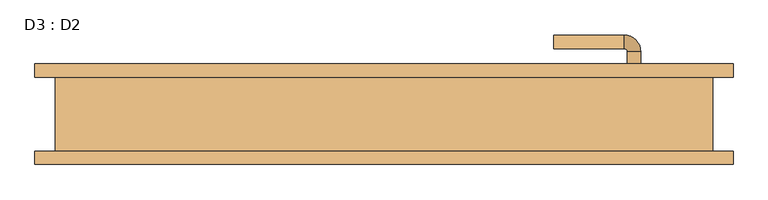
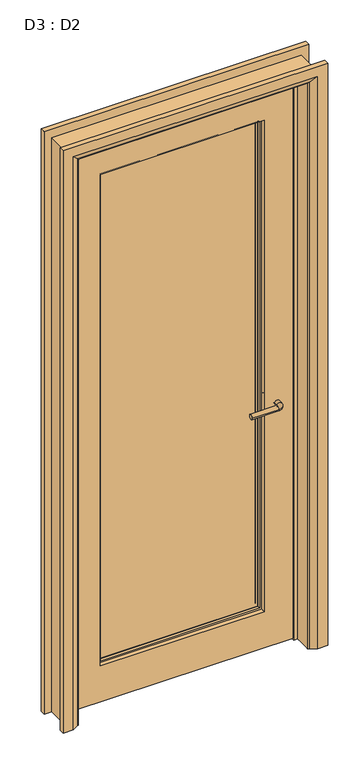
"""IFC4 building model written with IfcOpenShell, lengths in millimetres: door geometry, D3 : D2."""

from ifc_helpers import new_model, si_unit, point, frame, frame_2d, origin, place, context, project, spatial, polyline, circle_curve, ellipse_curve, trimmed, segment, composite_curve, outline, extrude, faceted_brep, source, transform, mapped, element, save
from ifc_brep_helpers import plane_surface, cylinder_surface, revolved_surface, advanced_brep


def d3_d2_8b21f9c6(model_context):
    return source(origin(), model_context, "Body", "SolidModel", [
        advanced_brep(
        [(178.0, 30.0, 1007.0), (158.0, 30.0, 1007.0), (178.0, 0.0, 1007.0), (158.0, 0.0, 1007.0), (153.0, -5.0, 1007.0), (153.0, -25.0, 1007.0), (48.0, -25.0, 1007.0), (48.0, -5.0, 1007.0)],
        [
            (0, 1, circle_curve(frame((168.0, 30.0, 1007.0), z_axis=(0.0, 1.0, 0.0), x_axis=(-1.0, 0.0, 0.0)), 10.0)),
            (1, 0, circle_curve(frame((168.0, 30.0, 1007.0), z_axis=(0.0, 1.0, 0.0), x_axis=(-1.0, 0.0, 0.0)), 10.0)),
            (0, 2),
            (2, 3, circle_curve(frame((168.0, 0.0, 1007.0), z_axis=(0.0, 1.0, 0.0), x_axis=(-1.0, 0.0, 0.0)), 10.0)),
            (3, 1),
            (3, 2, circle_curve(frame((168.0, 0.0, 1007.0), z_axis=(0.0, 1.0, 0.0), x_axis=(-1.0, 0.0, 0.0)), 10.0)),
            (4, 3, circle_curve(frame((153.0, 0.0, 1007.0), z_axis=(0.0, 0.0, 1.0), x_axis=(1.0, 0.0, 0.0)), 5.0)),
            (2, 5, circle_curve(frame((153.0, 0.0, 1007.0), z_axis=(0.0, 0.0, -1.0), x_axis=(1.0, 0.0, 0.0)), 25.0)),
            (5, 4, circle_curve(frame((153.0, -15.0, 1007.0), z_axis=(1.0, 0.0, 0.0), x_axis=(0.0, 1.0, 0.0)), 10.0)),
            (4, 5, circle_curve(frame((153.0, -15.0, 1007.0), z_axis=(1.0, 0.0, 0.0), x_axis=(0.0, 1.0, 0.0)), 10.0)),
            (6, 7, circle_curve(frame((48.0, -15.0, 1007.0), z_axis=(-1.0, 0.0, 0.0), x_axis=(0.0, 1.0, 0.0)), 10.0)),
            (7, 6, circle_curve(frame((48.0, -15.0, 1007.0), z_axis=(-1.0, 0.0, 0.0), x_axis=(0.0, 1.0, 0.0)), 10.0)),
            (5, 6),
            (7, 4),
        ],
        [
            plane_surface(frame((168.0, 30.0, 1007.0), z_axis=(0.0, 1.0, 0.0), x_axis=(0.0, 0.0, 1.0))),
            cylinder_surface(frame((168.0, 30.0, 1007.0), z_axis=(0.0, 1.0, 0.0), x_axis=(-1.0, 0.0, 0.0)), 10.0),
            revolved_surface(trimmed(ellipse_curve(frame((168.0, 0.0, 1007.0), z_axis=(0.0, 1.0, 0.0), x_axis=(-1.0, 0.0, 0.0)), 10.0, 10.0), [point((178.0, 0.0, 1007.0))], [point((158.0, 0.0, 1007.0))], True, "CARTESIAN"), (153.0, 0.0, 1007.0), (0.0, 0.0, -1.0)),
            revolved_surface(trimmed(ellipse_curve(frame((168.0, 0.0, 1007.0), z_axis=(0.0, 1.0, 0.0), x_axis=(-1.0, 0.0, 0.0)), 10.0, 10.0), [point((158.0, 0.0, 1007.0))], [point((178.0, 0.0, 1007.0))], True, "CARTESIAN"), (153.0, 0.0, 1007.0), (0.0, 0.0, -1.0)),
            plane_surface(frame((48.0, -15.0, 1007.0), z_axis=(-1.0, 0.0, 0.0), x_axis=(0.0, 0.0, 1.0))),
            cylinder_surface(frame((153.0, -15.0, 1007.0), z_axis=(1.0, 0.0, 0.0), x_axis=(0.0, 1.0, 0.0)), 10.0),
        ],
        [
            (0, [[1, 2]]),
            (1, [[-1, 3, 4, 5]]),
            (1, [[-2, -5, 6, -3]]),
            (2, [[7, -4, 8, 9]]),
            (3, [[-8, -6, -7, 10]]),
            (4, [[11, 12]]),
            (5, [[-9, 13, -12, 14]]),
            (5, [[-10, -14, -11, -13]]),
        ],
    ),
        extrude(outline(composite_curve([segment(trimmed(circle_curve(frame_2d((1007.0, 170.5)), 30.0), [point((1007.0, 200.5))], [point((1007.0, 140.5))], False, "CARTESIAN"), True, "CONTINUOUS"), segment(trimmed(circle_curve(frame_2d((1007.0, 170.5)), 30.0), [point((1007.0, 140.5))], [point((1007.0, 200.5))], False, "CARTESIAN"), True, "CONTINUOUS")], self_intersect=False)), frame((0.0, 30.0, 0.0), z_axis=(0.0, 1.0, 0.0), x_axis=(0.0, 0.0, 1.0)), (0.0, 0.0, 1.0), 8.0),
        advanced_brep(
        [(178.0, 63.0, 1007.0), (158.0, 63.0, 1007.0), (158.0, 93.0, 1007.0), (178.0, 93.0, 1007.0), (153.0, 98.0, 1007.0), (153.0, 118.0, 1007.0), (48.0, 118.0, 1007.0), (48.0, 98.0, 1007.0)],
        [
            (0, 1, circle_curve(frame((168.0, 63.0, 1007.0), z_axis=(0.0, -1.0, 0.0), x_axis=(-1.0, 0.0, 0.0)), 10.0)),
            (1, 0, circle_curve(frame((168.0, 63.0, 1007.0), z_axis=(0.0, -1.0, 0.0), x_axis=(-1.0, 0.0, 0.0)), 10.0)),
            (1, 2),
            (2, 3, circle_curve(frame((168.0, 93.0, 1007.0), z_axis=(0.0, -1.0, 0.0), x_axis=(-1.0, 0.0, 0.0)), 10.0)),
            (3, 0),
            (3, 2, circle_curve(frame((168.0, 93.0, 1007.0), z_axis=(0.0, -1.0, 0.0), x_axis=(-1.0, 0.0, 0.0)), 10.0)),
            (4, 5, circle_curve(frame((153.0, 108.0, 1007.0), z_axis=(1.0, 0.0, 0.0), x_axis=(0.0, -1.0, 0.0)), 10.0)),
            (5, 3, circle_curve(frame((153.0, 93.0, 1007.0), z_axis=(0.0, 0.0, -1.0), x_axis=(1.0, 0.0, 0.0)), 25.0)),
            (2, 4, circle_curve(frame((153.0, 93.0, 1007.0), z_axis=(0.0, 0.0, 1.0), x_axis=(1.0, 0.0, 0.0)), 5.0)),
            (5, 4, circle_curve(frame((153.0, 108.0, 1007.0), z_axis=(1.0, 0.0, 0.0), x_axis=(0.0, -1.0, 0.0)), 10.0)),
            (6, 7, circle_curve(frame((48.0, 108.0, 1007.0), z_axis=(-1.0, 0.0, 0.0), x_axis=(0.0, -1.0, 0.0)), 10.0)),
            (7, 6, circle_curve(frame((48.0, 108.0, 1007.0), z_axis=(-1.0, 0.0, 0.0), x_axis=(0.0, -1.0, 0.0)), 10.0)),
            (4, 7),
            (6, 5),
        ],
        [
            plane_surface(frame((168.0, 63.0, 1007.0), z_axis=(0.0, -1.0, 0.0), x_axis=(0.0, 0.0, 1.0))),
            cylinder_surface(frame((168.0, 63.0, 1007.0), z_axis=(0.0, -1.0, 0.0), x_axis=(-1.0, 0.0, 0.0)), 10.0),
            revolved_surface(trimmed(ellipse_curve(frame((168.0, 93.0, 1007.0), z_axis=(0.0, 1.0, 0.0), x_axis=(-1.0, 0.0, 0.0)), 10.0, 10.0), [point((178.0, 93.0, 1007.0))], [point((158.0, 93.0, 1007.0))], True, "CARTESIAN"), (153.0, 93.0, 1007.0), (0.0, 0.0, -1.0)),
            revolved_surface(trimmed(ellipse_curve(frame((168.0, 93.0, 1007.0), z_axis=(0.0, 1.0, 0.0), x_axis=(-1.0, 0.0, 0.0)), 10.0, 10.0), [point((158.0, 93.0, 1007.0))], [point((178.0, 93.0, 1007.0))], True, "CARTESIAN"), (153.0, 93.0, 1007.0), (0.0, 0.0, -1.0)),
            plane_surface(frame((48.0, 108.0, 1007.0), z_axis=(-1.0, 0.0, 0.0), x_axis=(0.0, 0.0, 1.0))),
            cylinder_surface(frame((153.0, 108.0, 1007.0), z_axis=(1.0, 0.0, 0.0), x_axis=(0.0, -1.0, 0.0)), 10.0),
        ],
        [
            (0, [[1, 2]]),
            (1, [[3, 4, 5, -2]]),
            (1, [[-5, 6, -3, -1]]),
            (2, [[7, 8, -4, 9]]),
            (3, [[10, -9, -6, -8]]),
            (4, [[11, 12]]),
            (5, [[13, -11, 14, -7]]),
            (5, [[-14, -12, -13, -10]]),
        ],
    ),
        extrude(outline(composite_curve([segment(trimmed(circle_curve(frame_2d((1007.0, 170.5)), 30.0), [point((1007.0, 200.5))], [point((1007.0, 140.5))], False, "CARTESIAN"), True, "CONTINUOUS"), segment(trimmed(circle_curve(frame_2d((1007.0, 170.5)), 30.0), [point((1007.0, 140.5))], [point((1007.0, 200.5))], False, "CARTESIAN"), True, "CONTINUOUS")], self_intersect=False)), frame((0.0, 55.0, 0.0), z_axis=(0.0, 1.0, 0.0), x_axis=(0.0, 0.0, 1.0)), (0.0, 0.0, 1.0), 8.0),
        extrude(outline(polyline([(2385.0, -694.5), (0.0, -694.5), (0.0, -654.5), (2350.0, -654.5), (2350.0, 245.5), (0.0, 245.5), (0.0, 285.5), (2385.0, 285.5), (2385.0, -694.5)])), frame((0.0, -55.0, 0.0), z_axis=(0.0, 1.0, 0.0), x_axis=(0.0, 0.0, 1.0)), (0.0, 0.0, 1.0), 110.0),
        advanced_brep(
        [(-724.5, -75.0, 0.0), (-724.5, -55.0, 0.0), (-654.5, -55.0, 0.0), (-658.5, -61.0, 0.0), (-684.5, -75.0, 0.0), (-724.5, -75.0, 2420.0), (-724.5, -55.0, 2420.0), (315.5, -55.0, 2420.0), (315.5, -55.0, 0.0), (245.5, -55.0, 0.0), (245.5, -55.0, 2350.0), (-654.5, -55.0, 2350.0), (-658.5, -61.0, 2354.0), (-684.5, -75.0, 2380.0), (275.5, -75.0, 2380.0), (275.5, -75.0, 0.0), (315.5, -75.0, 0.0), (315.5, -75.0, 2420.0), (249.5, -61.0, 2354.0), (249.5, -61.0, 0.0)],
        [
            (0, 1),
            (1, 2),
            (2, 3, circle_curve(frame((-662.5, -54.0, 0.0), z_axis=(0.0, 0.0, -1.0), x_axis=(-1.0, 0.0, 0.0)), 8.0622577)),
            (3, 4),
            (4, 0),
            (0, 5),
            (5, 6),
            (6, 1),
            (6, 7),
            (7, 8),
            (8, 9),
            (9, 10),
            (10, 11),
            (11, 2),
            (11, 12, ellipse_curve(frame((-662.5, -54.0, 2358.0), z_axis=(-0.7071067811865475, 0.0, -0.7071067811865475), x_axis=(0.7071067811865474, 0.0, -0.7071067811865476)), 11.4017543, 8.0622577)),
            (12, 3),
            (12, 13),
            (13, 4),
            (13, 14),
            (14, 15),
            (15, 16),
            (16, 17),
            (17, 5),
            (17, 7),
            (10, 18, ellipse_curve(frame((253.5, -54.0, 2358.0), z_axis=(-0.7071067811865475, 0.0, 0.7071067811865475), x_axis=(-0.7071067811865476, 0.0, -0.7071067811865474)), 11.4017543, 8.0622577)),
            (18, 12),
            (18, 14),
            (15, 19),
            (19, 9, circle_curve(frame((253.5, -54.0, 0.0), z_axis=(0.0, 0.0, -1.0), x_axis=(1.0, 0.0, 0.0)), 8.0622577)),
            (8, 16),
            (19, 18),
        ],
        [
            plane_surface(frame((-654.5, -55.0, 0.0), z_axis=(0.0, 0.0, -1.0), x_axis=(0.0, -1.0, 0.0))),
            plane_surface(frame((-724.5, -75.0, 0.0), z_axis=(-1.0, 0.0, 0.0), x_axis=(0.0, 0.0, 1.0))),
            plane_surface(frame((-724.5, -55.0, 0.0), z_axis=(0.0, 1.0, 0.0), x_axis=(0.0, 0.0, 1.0))),
            cylinder_surface(frame((-662.5, -54.0, 0.0), z_axis=(0.0, 0.0, -1.0), x_axis=(-1.0, 0.0, 0.0)), 8.0622577),
            plane_surface(frame((-658.5, -61.0, 0.0), z_axis=(0.4740998230350183, -0.8804710999221749, 0.0), x_axis=(0.0, 0.0, 1.0))),
            plane_surface(frame((-684.5, -75.0, 0.0), z_axis=(0.0, -1.0, 0.0), x_axis=(0.0, 0.0, 1.0))),
            plane_surface(frame((-724.5, -75.0, 2420.0), z_axis=(0.0, 0.0, 1.0), x_axis=(1.0, 0.0, 0.0))),
            cylinder_surface(frame((-654.5, -54.0, 2358.0), z_axis=(-1.0, 0.0, 0.0), x_axis=(0.0, 0.0, 1.0)), 8.0622577),
            plane_surface(frame((-658.5, -61.0, 2354.0), z_axis=(0.0, -0.8804710999221749, -0.4740998230350183), x_axis=(1.0, 0.0, 0.0))),
            plane_surface(frame((245.5, -55.0, 0.0), z_axis=(0.0, 0.0, -1.0), x_axis=(0.0, -1.0, 0.0))),
            plane_surface(frame((315.5, -75.0, 2420.0), z_axis=(1.0, 0.0, 0.0), x_axis=(0.0, 0.0, -1.0))),
            cylinder_surface(frame((253.5, -54.0, 2350.0), z_axis=(0.0, 0.0, 1.0), x_axis=(1.0, 0.0, 0.0)), 8.0622577),
            plane_surface(frame((249.5, -61.0, 2354.0), z_axis=(-0.4740998230350183, -0.8804710999221749, 0.0), x_axis=(0.0, 0.0, -1.0))),
        ],
        [
            (0, [[1, 2, 3, 4, 5]]),
            (1, [[-1, 6, 7, 8]]),
            (2, [[-2, -8, 9, 10, 11, 12, 13, 14]]),
            (3, [[-3, -14, 15, 16]]),
            (4, [[-4, -16, 17, 18]]),
            (5, [[-5, -18, 19, 20, 21, 22, 23, -6]]),
            (6, [[-7, -23, 24, -9]]),
            (7, [[-15, -13, 25, 26]]),
            (8, [[-17, -26, 27, -19]]),
            (9, [[-21, 28, 29, -11, 30]]),
            (10, [[-24, -22, -30, -10]]),
            (11, [[-25, -12, -29, 31]]),
            (12, [[-27, -31, -28, -20]]),
        ],
    ),
        advanced_brep(
        [(315.5, 75.0, 0.0), (315.5, 55.0, 0.0), (245.5, 55.0, 0.0), (249.5, 61.0, 0.0), (275.5, 75.0, 0.0), (315.5, 75.0, 2420.0), (315.5, 55.0, 2420.0), (-724.5, 55.0, 2420.0), (-724.5, 55.0, 0.0), (-654.5, 55.0, 0.0), (-654.5, 55.0, 2350.0), (245.5, 55.0, 2350.0), (249.5, 61.0, 2354.0), (275.5, 75.0, 2380.0), (-684.5, 75.0, 2380.0), (-684.5, 75.0, 0.0), (-724.5, 75.0, 0.0), (-724.5, 75.0, 2420.0), (-658.5, 61.0, 2354.0), (-658.5, 61.0, 0.0)],
        [
            (0, 1),
            (1, 2),
            (2, 3, circle_curve(frame((253.5, 54.0, 0.0), z_axis=(0.0, 0.0, -1.0), x_axis=(1.0, 0.0, 0.0)), 8.0622577)),
            (3, 4),
            (4, 0),
            (0, 5),
            (5, 6),
            (6, 1),
            (6, 7),
            (7, 8),
            (8, 9),
            (9, 10),
            (10, 11),
            (11, 2),
            (11, 12, ellipse_curve(frame((253.5, 54.0, 2358.0), z_axis=(0.7071067811865475, 0.0, -0.7071067811865475), x_axis=(-0.7071067811865474, 0.0, -0.7071067811865476)), 11.4017543, 8.0622577)),
            (12, 3),
            (12, 13),
            (13, 4),
            (13, 14),
            (14, 15),
            (15, 16),
            (16, 17),
            (17, 5),
            (17, 7),
            (10, 18, ellipse_curve(frame((-662.5, 54.0, 2358.0), z_axis=(0.7071067811865475, 0.0, 0.7071067811865475), x_axis=(0.7071067811865476, 0.0, -0.7071067811865474)), 11.4017543, 8.0622577)),
            (18, 12),
            (18, 14),
            (15, 19),
            (19, 9, circle_curve(frame((-662.5, 54.0, 0.0), z_axis=(0.0, 0.0, -1.0), x_axis=(-1.0, 0.0, 0.0)), 8.0622577)),
            (8, 16),
            (19, 18),
        ],
        [
            plane_surface(frame((245.5, 55.0, 0.0), z_axis=(0.0, 0.0, -1.0), x_axis=(0.0, -1.0, 0.0))),
            plane_surface(frame((315.5, 75.0, 0.0), z_axis=(1.0, 0.0, 0.0), x_axis=(0.0, 0.0, 1.0))),
            plane_surface(frame((315.5, 55.0, 0.0), z_axis=(0.0, -1.0, 0.0), x_axis=(0.0, 0.0, 1.0))),
            cylinder_surface(frame((253.5, 54.0, 0.0), z_axis=(0.0, 0.0, -1.0), x_axis=(1.0, 0.0, 0.0)), 8.0622577),
            plane_surface(frame((249.5, 61.0, 0.0), z_axis=(-0.4740998230350126, 0.8804710999221779, 0.0), x_axis=(0.0, 0.0, 1.0))),
            plane_surface(frame((275.5, 75.0, 0.0), z_axis=(0.0, 1.0, 0.0), x_axis=(0.0, 0.0, 1.0))),
            plane_surface(frame((315.5, 75.0, 2420.0), z_axis=(0.0, 0.0, 1.0), x_axis=(-1.0, 0.0, 0.0))),
            cylinder_surface(frame((245.5, 54.0, 2358.0), z_axis=(1.0, 0.0, 0.0), x_axis=(0.0, 0.0, 1.0)), 8.0622577),
            plane_surface(frame((249.5, 61.0, 2354.0), z_axis=(0.0, 0.8804710999221763, -0.4740998230350154), x_axis=(-1.0, 0.0, 0.0))),
            plane_surface(frame((-654.5, 55.0, 0.0), z_axis=(0.0, 0.0, -1.0), x_axis=(0.0, -1.0, 0.0))),
            plane_surface(frame((-724.5, 75.0, 2420.0), z_axis=(-1.0, 0.0, 0.0), x_axis=(0.0, 0.0, -1.0))),
            cylinder_surface(frame((-662.5, 54.0, 2350.0), z_axis=(0.0, 0.0, 1.0), x_axis=(-1.0, 0.0, 0.0)), 8.0622577),
            plane_surface(frame((-658.5, 61.0, 2354.0), z_axis=(0.4740998230350183, 0.8804710999221749, 0.0), x_axis=(0.0, 0.0, -1.0))),
        ],
        [
            (0, [[1, 2, 3, 4, 5]]),
            (1, [[-1, 6, 7, 8]]),
            (2, [[-2, -8, 9, 10, 11, 12, 13, 14]]),
            (3, [[-3, -14, 15, 16]]),
            (4, [[-4, -16, 17, 18]]),
            (5, [[-5, -18, 19, 20, 21, 22, 23, -6]]),
            (6, [[-7, -23, 24, -9]]),
            (7, [[-15, -13, 25, 26]]),
            (8, [[-17, -26, 27, -19]]),
            (9, [[-21, 28, 29, -11, 30]]),
            (10, [[-24, -22, -30, -10]]),
            (11, [[-25, -12, -29, 31]]),
            (12, [[-27, -31, -28, -20]]),
        ],
    ),
        faceted_brep([(-639.5, 42.0, 0.0), (-639.5, 10.0, 0.0), (-654.5, 10.0, 0.0), (-654.5, 42.0, 0.0), (-639.5, 42.0, 2335.0), (-639.5, 10.0, 2335.0), (-654.5, 10.0, 2350.0), (-654.5, 42.0, 2350.0), (230.5, 42.0, 2335.0), (230.5, 10.0, 2335.0), (245.5, 10.0, 2350.0), (245.5, 42.0, 2350.0), (230.5, 42.0, 0.0), (245.5, 42.0, 0.0), (245.5, 10.0, 0.0), (230.5, 10.0, 0.0)], [[[0, 1, 2, 3]], [[1, 0, 4, 5]], [[2, 1, 5, 6]], [[3, 2, 6, 7]], [[0, 3, 7, 4]], [[5, 4, 8, 9]], [[6, 5, 9, 10]], [[7, 6, 10, 11]], [[4, 7, 11, 8]], [[12, 13, 14, 15]], [[9, 8, 12, 15]], [[10, 9, 15, 14]], [[11, 10, 14, 13]], [[8, 11, 13, 12]]]),
        extrude(outline(polyline([(-526.5, 55.0), (117.5, 55.0), (117.5, 48.0), (-526.5, 48.0), (-526.5, 55.0)])), frame((0.0, 0.0, 2045.753223), z_axis=(0.0, 0.0, 1.0), x_axis=(1.0, 0.0, 0.0)), (0.0, 0.0, 1.0), 10.0),
        extrude(outline(polyline([(-526.5, 55.0), (117.5, 55.0), (117.5, 48.0), (-526.5, 48.0), (-526.5, 55.0)])), frame((0.0, 0.0, 1995.753223), z_axis=(0.0, 0.0, 1.0), x_axis=(1.0, 0.0, 0.0)), (0.0, 0.0, 1.0), 10.0),
        extrude(outline(polyline([(-526.5, 55.0), (117.5, 55.0), (117.5, 48.0), (-526.5, 48.0), (-526.5, 55.0)])), frame((0.0, 0.0, 1945.753223), z_axis=(0.0, 0.0, 1.0), x_axis=(1.0, 0.0, 0.0)), (0.0, 0.0, 1.0), 10.0),
        extrude(outline(polyline([(-526.5, 55.0), (117.5, 55.0), (117.5, 48.0), (-526.5, 48.0), (-526.5, 55.0)])), frame((0.0, 0.0, 1895.753223), z_axis=(0.0, 0.0, 1.0), x_axis=(1.0, 0.0, 0.0)), (0.0, 0.0, 1.0), 10.0),
        extrude(outline(polyline([(-526.5, 55.0), (117.5, 55.0), (117.5, 48.0), (-526.5, 48.0), (-526.5, 55.0)])), frame((0.0, 0.0, 1845.753223), z_axis=(0.0, 0.0, 1.0), x_axis=(1.0, 0.0, 0.0)), (0.0, 0.0, 1.0), 10.0),
        extrude(outline(polyline([(-526.5, 55.0), (117.5, 55.0), (117.5, 48.0), (-526.5, 48.0), (-526.5, 55.0)])), frame((0.0, 0.0, 1795.753223), z_axis=(0.0, 0.0, 1.0), x_axis=(1.0, 0.0, 0.0)), (0.0, 0.0, 1.0), 10.0),
        extrude(outline(polyline([(-526.5, 55.0), (117.5, 55.0), (117.5, 48.0), (-526.5, 48.0), (-526.5, 55.0)])), frame((0.0, 0.0, 1745.753223), z_axis=(0.0, 0.0, 1.0), x_axis=(1.0, 0.0, 0.0)), (0.0, 0.0, 1.0), 10.0),
        extrude(outline(polyline([(-526.5, 55.0), (117.5, 55.0), (117.5, 48.0), (-526.5, 48.0), (-526.5, 55.0)])), frame((0.0, 0.0, 1695.753223), z_axis=(0.0, 0.0, 1.0), x_axis=(1.0, 0.0, 0.0)), (0.0, 0.0, 1.0), 10.0),
        extrude(outline(polyline([(-526.5, 55.0), (117.5, 55.0), (117.5, 48.0), (-526.5, 48.0), (-526.5, 55.0)])), frame((0.0, 0.0, 1645.753223), z_axis=(0.0, 0.0, 1.0), x_axis=(1.0, 0.0, 0.0)), (0.0, 0.0, 1.0), 10.0),
        extrude(outline(polyline([(-526.5, 55.0), (117.5, 55.0), (117.5, 48.0), (-526.5, 48.0), (-526.5, 55.0)])), frame((0.0, 0.0, 1595.753223), z_axis=(0.0, 0.0, 1.0), x_axis=(1.0, 0.0, 0.0)), (0.0, 0.0, 1.0), 10.0),
        extrude(outline(polyline([(-526.5, 55.0), (117.5, 55.0), (117.5, 48.0), (-526.5, 48.0), (-526.5, 55.0)])), frame((0.0, 0.0, 1545.753223), z_axis=(0.0, 0.0, 1.0), x_axis=(1.0, 0.0, 0.0)), (0.0, 0.0, 1.0), 10.0),
        extrude(outline(polyline([(-526.5, 55.0), (117.5, 55.0), (117.5, 48.0), (-526.5, 48.0), (-526.5, 55.0)])), frame((0.0, 0.0, 1495.753223), z_axis=(0.0, 0.0, 1.0), x_axis=(1.0, 0.0, 0.0)), (0.0, 0.0, 1.0), 10.0),
        extrude(outline(polyline([(-526.5, 55.0), (117.5, 55.0), (117.5, 48.0), (-526.5, 48.0), (-526.5, 55.0)])), frame((0.0, 0.0, 1445.753223), z_axis=(0.0, 0.0, 1.0), x_axis=(1.0, 0.0, 0.0)), (0.0, 0.0, 1.0), 10.0),
        extrude(outline(polyline([(-526.5, 55.0), (117.5, 55.0), (117.5, 48.0), (-526.5, 48.0), (-526.5, 55.0)])), frame((0.0, 0.0, 1395.753223), z_axis=(0.0, 0.0, 1.0), x_axis=(1.0, 0.0, 0.0)), (0.0, 0.0, 1.0), 10.0),
        extrude(outline(polyline([(-526.5, 55.0), (117.5, 55.0), (117.5, 48.0), (-526.5, 48.0), (-526.5, 55.0)])), frame((0.0, 0.0, 1345.753223), z_axis=(0.0, 0.0, 1.0), x_axis=(1.0, 0.0, 0.0)), (0.0, 0.0, 1.0), 10.0),
        extrude(outline(polyline([(-526.5, 55.0), (117.5, 55.0), (117.5, 48.0), (-526.5, 48.0), (-526.5, 55.0)])), frame((0.0, 0.0, 1295.753223), z_axis=(0.0, 0.0, 1.0), x_axis=(1.0, 0.0, 0.0)), (0.0, 0.0, 1.0), 10.0),
        extrude(outline(polyline([(-526.5, 55.0), (117.5, 55.0), (117.5, 48.0), (-526.5, 48.0), (-526.5, 55.0)])), frame((0.0, 0.0, 1245.753223), z_axis=(0.0, 0.0, 1.0), x_axis=(1.0, 0.0, 0.0)), (0.0, 0.0, 1.0), 10.0),
        extrude(outline(polyline([(-526.5, 55.0), (117.5, 55.0), (117.5, 48.0), (-526.5, 48.0), (-526.5, 55.0)])), frame((0.0, 0.0, 1195.753223), z_axis=(0.0, 0.0, 1.0), x_axis=(1.0, 0.0, 0.0)), (0.0, 0.0, 1.0), 10.0),
        extrude(outline(polyline([(-526.5, 55.0), (117.5, 55.0), (117.5, 48.0), (-526.5, 48.0), (-526.5, 55.0)])), frame((0.0, 0.0, 1145.753223), z_axis=(0.0, 0.0, 1.0), x_axis=(1.0, 0.0, 0.0)), (0.0, 0.0, 1.0), 10.0),
        extrude(outline(polyline([(-526.5, 55.0), (117.5, 55.0), (117.5, 48.0), (-526.5, 48.0), (-526.5, 55.0)])), frame((0.0, 0.0, 1095.753223), z_axis=(0.0, 0.0, 1.0), x_axis=(1.0, 0.0, 0.0)), (0.0, 0.0, 1.0), 10.0),
        extrude(outline(polyline([(-526.5, 55.0), (117.5, 55.0), (117.5, 48.0), (-526.5, 48.0), (-526.5, 55.0)])), frame((0.0, 0.0, 1045.753223), z_axis=(0.0, 0.0, 1.0), x_axis=(1.0, 0.0, 0.0)), (0.0, 0.0, 1.0), 10.0),
        extrude(outline(polyline([(-526.5, 55.0), (117.5, 55.0), (117.5, 48.0), (-526.5, 48.0), (-526.5, 55.0)])), frame((0.0, 0.0, 995.753223), z_axis=(0.0, 0.0, 1.0), x_axis=(1.0, 0.0, 0.0)), (0.0, 0.0, 1.0), 10.0),
        extrude(outline(polyline([(-526.5, 55.0), (117.5, 55.0), (117.5, 48.0), (-526.5, 48.0), (-526.5, 55.0)])), frame((0.0, 0.0, 945.753223), z_axis=(0.0, 0.0, 1.0), x_axis=(1.0, 0.0, 0.0)), (0.0, 0.0, 1.0), 10.0),
        extrude(outline(polyline([(-526.5, 55.0), (117.5, 55.0), (117.5, 48.0), (-526.5, 48.0), (-526.5, 55.0)])), frame((0.0, 0.0, 895.753223), z_axis=(0.0, 0.0, 1.0), x_axis=(1.0, 0.0, 0.0)), (0.0, 0.0, 1.0), 10.0),
        extrude(outline(polyline([(-526.5, 55.0), (117.5, 55.0), (117.5, 48.0), (-526.5, 48.0), (-526.5, 55.0)])), frame((0.0, 0.0, 845.753223), z_axis=(0.0, 0.0, 1.0), x_axis=(1.0, 0.0, 0.0)), (0.0, 0.0, 1.0), 10.0),
        extrude(outline(polyline([(-526.5, 55.0), (117.5, 55.0), (117.5, 48.0), (-526.5, 48.0), (-526.5, 55.0)])), frame((0.0, 0.0, 795.753223), z_axis=(0.0, 0.0, 1.0), x_axis=(1.0, 0.0, 0.0)), (0.0, 0.0, 1.0), 10.0),
        extrude(outline(polyline([(-526.5, 55.0), (117.5, 55.0), (117.5, 48.0), (-526.5, 48.0), (-526.5, 55.0)])), frame((0.0, 0.0, 745.753223), z_axis=(0.0, 0.0, 1.0), x_axis=(1.0, 0.0, 0.0)), (0.0, 0.0, 1.0), 10.0),
        extrude(outline(polyline([(-526.5, 55.0), (117.5, 55.0), (117.5, 48.0), (-526.5, 48.0), (-526.5, 55.0)])), frame((0.0, 0.0, 695.753223), z_axis=(0.0, 0.0, 1.0), x_axis=(1.0, 0.0, 0.0)), (0.0, 0.0, 1.0), 10.0),
        extrude(outline(polyline([(-526.5, 55.0), (117.5, 55.0), (117.5, 48.0), (-526.5, 48.0), (-526.5, 55.0)])), frame((0.0, 0.0, 645.753223), z_axis=(0.0, 0.0, 1.0), x_axis=(1.0, 0.0, 0.0)), (0.0, 0.0, 1.0), 10.0),
        extrude(outline(polyline([(-526.5, 55.0), (117.5, 55.0), (117.5, 48.0), (-526.5, 48.0), (-526.5, 55.0)])), frame((0.0, 0.0, 595.753223), z_axis=(0.0, 0.0, 1.0), x_axis=(1.0, 0.0, 0.0)), (0.0, 0.0, 1.0), 10.0),
        extrude(outline(polyline([(-526.5, 55.0), (117.5, 55.0), (117.5, 48.0), (-526.5, 48.0), (-526.5, 55.0)])), frame((0.0, 0.0, 545.753223), z_axis=(0.0, 0.0, 1.0), x_axis=(1.0, 0.0, 0.0)), (0.0, 0.0, 1.0), 10.0),
        extrude(outline(polyline([(-526.5, 55.0), (117.5, 55.0), (117.5, 48.0), (-526.5, 48.0), (-526.5, 55.0)])), frame((0.0, 0.0, 495.753223), z_axis=(0.0, 0.0, 1.0), x_axis=(1.0, 0.0, 0.0)), (0.0, 0.0, 1.0), 10.0),
        extrude(outline(polyline([(-526.5, 55.0), (117.5, 55.0), (117.5, 48.0), (-526.5, 48.0), (-526.5, 55.0)])), frame((0.0, 0.0, 445.753223), z_axis=(0.0, 0.0, 1.0), x_axis=(1.0, 0.0, 0.0)), (0.0, 0.0, 1.0), 10.0),
        extrude(outline(polyline([(-526.5, 55.0), (117.5, 55.0), (117.5, 48.0), (-526.5, 48.0), (-526.5, 55.0)])), frame((0.0, 0.0, 395.753223), z_axis=(0.0, 0.0, 1.0), x_axis=(1.0, 0.0, 0.0)), (0.0, 0.0, 1.0), 10.0),
        extrude(outline(polyline([(-526.5, 55.0), (117.5, 55.0), (117.5, 48.0), (-526.5, 48.0), (-526.5, 55.0)])), frame((0.0, 0.0, 345.753223), z_axis=(0.0, 0.0, 1.0), x_axis=(1.0, 0.0, 0.0)), (0.0, 0.0, 1.0), 10.0),
        extrude(outline(polyline([(-526.5, 55.0), (117.5, 55.0), (117.5, 48.0), (-526.5, 48.0), (-526.5, 55.0)])), frame((0.0, 0.0, 295.753223), z_axis=(0.0, 0.0, 1.0), x_axis=(1.0, 0.0, 0.0)), (0.0, 0.0, 1.0), 10.0),
        extrude(outline(polyline([(-526.5, 55.0), (117.5, 55.0), (117.5, 48.0), (-526.5, 48.0), (-526.5, 55.0)])), frame((0.0, 0.0, 245.753223), z_axis=(0.0, 0.0, 1.0), x_axis=(1.0, 0.0, 0.0)), (0.0, 0.0, 1.0), 10.0),
        extrude(outline(polyline([(-526.5, 55.0), (117.5, 55.0), (117.5, 48.0), (-526.5, 48.0), (-526.5, 55.0)])), frame((0.0, 0.0, 195.753223), z_axis=(0.0, 0.0, 1.0), x_axis=(1.0, 0.0, 0.0)), (0.0, 0.0, 1.0), 10.0),
        extrude(outline(polyline([(-526.5, 55.0), (117.5, 55.0), (117.5, 48.0), (-526.5, 48.0), (-526.5, 55.0)])), frame((0.0, 0.0, 2095.753223), z_axis=(0.0, 0.0, 1.0), x_axis=(1.0, 0.0, 0.0)), (0.0, 0.0, 1.0), 10.0),
        extrude(outline(polyline([(-526.5, 55.0), (117.5, 55.0), (117.5, 48.0), (-526.5, 48.0), (-526.5, 55.0)])), frame((0.0, 0.0, 2144.506446), z_axis=(0.0, 0.0, 1.0), x_axis=(1.0, 0.0, 0.0)), (0.0, 0.0, 1.0), 10.0),
        extrude(outline(polyline([(117.5, 40.0), (-526.5, 40.0), (-526.5, 45.0), (117.5, 45.0), (117.5, 40.0)])), frame((0.0, 0.0, 155.753223), z_axis=(0.0, 0.0, 1.0), x_axis=(1.0, 0.0, 0.0)), (0.0, 0.0, 1.0), 2040.253223),
        extrude(outline(polyline([(5.753223, -651.5), (5.753223, 242.5), (2347.0, 242.5), (2347.0, -651.5), (5.753223, -651.5)]), holes=[polyline([(2197.0, -526.5), (2197.0, 117.5), (155.753223, 117.5), (155.753223, -526.5), (2197.0, -526.5)])]), frame((0.0, 15.0, 0.0), z_axis=(0.0, 1.0, 0.0), x_axis=(0.0, 0.0, 1.0)), (0.0, 0.0, 1.0), 40.0),
        advanced_brep(
        [(-526.5, 48.0, 155.753223), (-526.5, 38.0, 155.753223), (-526.5, 38.0, 2195.753223), (-526.5, 48.0, 2195.753223), (-514.5, 37.0, 167.753223), (-514.5, 48.0, 167.753223), (-514.5, 48.0, 2183.753223), (-514.5, 37.0, 2183.753223), (-519.5, 32.0, 162.753223), (-519.5, 32.0, 2188.753223), (-534.5, 34.0, 147.753223), (-532.5, 32.0, 149.753223), (-532.5, 32.0, 2201.753223), (-534.5, 34.0, 2203.753223), (-534.5, 38.0, 147.753223), (-534.5, 38.0, 2203.753223), (117.5, 38.0, 2195.753223), (117.5, 48.0, 2195.753223), (105.5, 48.0, 2183.753223), (105.5, 37.0, 2183.753223), (110.5, 32.0, 2188.753223), (123.5, 32.0, 2201.753223), (125.5, 34.0, 2203.753223), (125.5, 38.0, 2203.753223), (117.5, 38.0, 155.753223), (117.5, 48.0, 155.753223), (105.5, 48.0, 167.753223), (105.5, 37.0, 167.753223), (110.5, 32.0, 162.753223), (123.5, 32.0, 149.753223), (125.5, 34.0, 147.753223), (125.5, 38.0, 147.753223)],
        [
            (0, 1),
            (1, 2),
            (2, 3),
            (3, 0),
            (4, 5),
            (5, 6),
            (6, 7),
            (7, 4),
            (8, 4, ellipse_curve(frame((-519.5, 37.0, 162.753223), z_axis=(-0.7071067811865475, 0.0, 0.7071067811865475), x_axis=(-0.7071067811865474, 0.0, -0.7071067811865476)), 7.0710678, 5.0)),
            (7, 9, ellipse_curve(frame((-519.5, 37.0, 2188.753223), z_axis=(-0.7071067811865475, 0.0, -0.7071067811865475), x_axis=(0.7071067811865474, 0.0, -0.7071067811865476)), 7.0710678, 5.0)),
            (9, 8),
            (10, 11, ellipse_curve(frame((-532.5, 34.0, 149.753223), z_axis=(-0.7071067811865475, 0.0, 0.7071067811865475), x_axis=(-0.7071067811865474, 0.0, -0.7071067811865476)), 2.8284271, 2.0)),
            (11, 12),
            (12, 13, ellipse_curve(frame((-532.5, 34.0, 2201.753223), z_axis=(-0.7071067811865475, 0.0, -0.7071067811865475), x_axis=(0.7071067811865474, 0.0, -0.7071067811865476)), 2.8284271, 2.0)),
            (13, 10),
            (14, 10),
            (13, 15),
            (15, 14),
            (2, 16),
            (16, 17),
            (17, 3),
            (6, 18),
            (18, 19),
            (19, 7),
            (19, 20, ellipse_curve(frame((110.5, 37.0, 2188.753223), z_axis=(-0.7071067811865475, 0.0, 0.7071067811865475), x_axis=(-0.7071067811865476, 0.0, -0.7071067811865474)), 7.0710678, 5.0)),
            (20, 9),
            (12, 21),
            (21, 22, ellipse_curve(frame((123.5, 34.0, 2201.753223), z_axis=(-0.7071067811865475, 0.0, 0.7071067811865475), x_axis=(-0.7071067811865476, 0.0, -0.7071067811865474)), 2.8284271, 2.0)),
            (22, 13),
            (22, 23),
            (23, 15),
            (16, 24),
            (24, 25),
            (25, 17),
            (18, 26),
            (26, 27),
            (27, 19),
            (27, 28, ellipse_curve(frame((110.5, 37.0, 162.753223), z_axis=(0.7071067811865475, 0.0, 0.7071067811865475), x_axis=(-0.7071067811865474, 0.0, 0.7071067811865476)), 7.0710678, 5.0)),
            (28, 20),
            (21, 29),
            (29, 30, ellipse_curve(frame((123.5, 34.0, 149.753223), z_axis=(0.7071067811865475, 0.0, 0.7071067811865475), x_axis=(-0.7071067811865474, 0.0, 0.7071067811865476)), 2.8284271, 2.0)),
            (30, 22),
            (30, 31),
            (31, 23),
            (31, 14),
            (1, 24),
            (0, 25),
            (5, 26),
            (4, 27),
            (8, 28),
            (11, 29),
            (10, 30),
        ],
        [
            plane_surface(frame((-526.5, 38.0, 155.753223), z_axis=(-1.0, 0.0, 0.0), x_axis=(0.0, 0.0, 1.0))),
            plane_surface(frame((-514.5, 48.0, 167.753223), z_axis=(1.0, 0.0, 0.0), x_axis=(0.0, 0.0, 1.0))),
            cylinder_surface(frame((-519.5, 37.0, 155.753223), z_axis=(0.0, 0.0, -1.0), x_axis=(-1.0, 0.0, 0.0)), 5.0),
            cylinder_surface(frame((-532.5, 34.0, 155.753223), z_axis=(0.0, 0.0, -1.0), x_axis=(-1.0, 0.0, 0.0)), 2.0),
            plane_surface(frame((-534.5, 34.0, 147.753223), z_axis=(-1.0, 0.0, 0.0), x_axis=(0.0, 0.0, 1.0))),
            plane_surface(frame((-526.5, 38.0, 2195.753223), z_axis=(0.0, 0.0, 1.0), x_axis=(1.0, 0.0, 0.0))),
            plane_surface(frame((-514.5, 48.0, 2183.753223), z_axis=(0.0, 0.0, -1.0), x_axis=(1.0, 0.0, 0.0))),
            cylinder_surface(frame((-526.5, 37.0, 2188.753223), z_axis=(-1.0, 0.0, 0.0), x_axis=(0.0, 0.0, 1.0)), 5.0),
            cylinder_surface(frame((-526.5, 34.0, 2201.753223), z_axis=(-1.0, 0.0, 0.0), x_axis=(0.0, 0.0, 1.0)), 2.0),
            plane_surface(frame((-534.5, 34.0, 2203.753223), z_axis=(0.0, 0.0, 1.0), x_axis=(1.0, 0.0, 0.0))),
            plane_surface(frame((117.5, 38.0, 2195.753223), z_axis=(1.0, 0.0, 0.0), x_axis=(0.0, 0.0, -1.0))),
            plane_surface(frame((105.5, 48.0, 2183.753223), z_axis=(-1.0, 0.0, 0.0), x_axis=(0.0, 0.0, -1.0))),
            cylinder_surface(frame((110.5, 37.0, 2195.753223), z_axis=(0.0, 0.0, 1.0), x_axis=(1.0, 0.0, 0.0)), 5.0),
            cylinder_surface(frame((123.5, 34.0, 2195.753223), z_axis=(0.0, 0.0, 1.0), x_axis=(1.0, 0.0, 0.0)), 2.0),
            plane_surface(frame((125.5, 34.0, 2203.753223), z_axis=(1.0, 0.0, 0.0), x_axis=(0.0, 0.0, -1.0))),
            plane_surface(frame((125.5, 38.0, 147.753223), z_axis=(0.0, 1.0, 0.0), x_axis=(-1.0, 0.0, 0.0))),
            plane_surface(frame((117.5, 38.0, 155.753223), z_axis=(0.0, 0.0, -1.0), x_axis=(-1.0, 0.0, 0.0))),
            plane_surface(frame((117.5, 48.0, 155.753223), z_axis=(0.0, 1.0, 0.0), x_axis=(-1.0, 0.0, 0.0))),
            plane_surface(frame((105.5, 48.0, 167.753223), z_axis=(0.0, 0.0, 1.0), x_axis=(-1.0, 0.0, 0.0))),
            cylinder_surface(frame((117.5, 37.0, 162.753223), z_axis=(1.0, 0.0, 0.0), x_axis=(0.0, 0.0, -1.0)), 5.0),
            plane_surface(frame((110.5, 32.0, 162.753223), z_axis=(0.0, -1.0, 0.0), x_axis=(-1.0, 0.0, 0.0))),
            cylinder_surface(frame((117.5, 34.0, 149.753223), z_axis=(1.0, 0.0, 0.0), x_axis=(0.0, 0.0, -1.0)), 2.0),
            plane_surface(frame((125.5, 34.0, 147.753223), z_axis=(0.0, 0.0, -1.0), x_axis=(-1.0, 0.0, 0.0))),
        ],
        [
            (0, [[1, 2, 3, 4]]),
            (1, [[5, 6, 7, 8]]),
            (2, [[9, -8, 10, 11]]),
            (3, [[12, 13, 14, 15]]),
            (4, [[16, -15, 17, 18]]),
            (5, [[-3, 19, 20, 21]]),
            (6, [[-7, 22, 23, 24]]),
            (7, [[-10, -24, 25, 26]]),
            (8, [[-14, 27, 28, 29]]),
            (9, [[-17, -29, 30, 31]]),
            (10, [[-20, 32, 33, 34]]),
            (11, [[-23, 35, 36, 37]]),
            (12, [[-25, -37, 38, 39]]),
            (13, [[-28, 40, 41, 42]]),
            (14, [[-30, -42, 43, 44]]),
            (15, [[-31, -44, 45, -18], [46, -32, -19, -2]]),
            (16, [[-33, -46, -1, 47]]),
            (17, [[-21, -34, -47, -4], [48, -35, -22, -6]]),
            (18, [[-36, -48, -5, 49]]),
            (19, [[-38, -49, -9, 50]]),
            (20, [[51, -40, -27, -13], [-26, -39, -50, -11]]),
            (21, [[-41, -51, -12, 52]]),
            (22, [[-43, -52, -16, -45]]),
        ],
    ),
        advanced_brep(
        [(-526.5, 45.0, 2196.006446), (-526.5, 55.0, 2196.006446), (-526.5, 55.0, 155.753223), (-526.5, 45.0, 155.753223), (-514.5, 56.0, 2184.006446), (-514.5, 45.0, 2184.006446), (-514.5, 45.0, 167.753223), (-514.5, 56.0, 167.753223), (-519.5, 61.0, 2189.006446), (-519.5, 61.0, 162.753223), (-534.5, 59.0, 2204.006446), (-532.5, 61.0, 2202.006446), (-532.5, 61.0, 149.753223), (-534.5, 59.0, 147.753223), (-534.5, 55.0, 2204.006446), (-534.5, 55.0, 147.753223), (117.5, 55.0, 155.753223), (117.5, 45.0, 155.753223), (105.5, 45.0, 167.753223), (105.5, 56.0, 167.753223), (110.5, 61.0, 162.753223), (123.5, 61.0, 149.753223), (125.5, 59.0, 147.753223), (125.5, 55.0, 147.753223), (117.5, 55.0, 2196.006446), (117.5, 45.0, 2196.006446), (105.5, 45.0, 2184.006446), (105.5, 56.0, 2184.006446), (110.5, 61.0, 2189.006446), (123.5, 61.0, 2202.006446), (125.5, 59.0, 2204.006446), (125.5, 55.0, 2204.006446)],
        [
            (0, 1),
            (1, 2),
            (2, 3),
            (3, 0),
            (4, 5),
            (5, 6),
            (6, 7),
            (7, 4),
            (8, 4, ellipse_curve(frame((-519.5, 56.0, 2189.006446), z_axis=(-0.7071067811865475, 0.0, -0.7071067811865475), x_axis=(-0.7071067811865474, 0.0, 0.7071067811865476)), 7.0710678, 5.0)),
            (7, 9, ellipse_curve(frame((-519.5, 56.0, 162.753223), z_axis=(-0.7071067811865475, 0.0, 0.7071067811865475), x_axis=(0.7071067811865474, 0.0, 0.7071067811865476)), 7.0710678, 5.0)),
            (9, 8),
            (10, 11, ellipse_curve(frame((-532.5, 59.0, 2202.006446), z_axis=(-0.7071067811865475, 0.0, -0.7071067811865475), x_axis=(-0.7071067811865474, 0.0, 0.7071067811865476)), 2.8284271, 2.0)),
            (11, 12),
            (12, 13, ellipse_curve(frame((-532.5, 59.0, 149.753223), z_axis=(-0.7071067811865475, 0.0, 0.7071067811865475), x_axis=(0.7071067811865474, 0.0, 0.7071067811865476)), 2.8284271, 2.0)),
            (13, 10),
            (14, 10),
            (13, 15),
            (15, 14),
            (2, 16),
            (16, 17),
            (17, 3),
            (6, 18),
            (18, 19),
            (19, 7),
            (19, 20, ellipse_curve(frame((110.5, 56.0, 162.753223), z_axis=(-0.7071067811865475, 0.0, -0.7071067811865475), x_axis=(-0.7071067811865476, 0.0, 0.7071067811865474)), 7.0710678, 5.0)),
            (20, 9),
            (12, 21),
            (21, 22, ellipse_curve(frame((123.5, 59.0, 149.753223), z_axis=(-0.7071067811865475, 0.0, -0.7071067811865475), x_axis=(-0.7071067811865476, 0.0, 0.7071067811865474)), 2.8284271, 2.0)),
            (22, 13),
            (22, 23),
            (23, 15),
            (16, 24),
            (24, 25),
            (25, 17),
            (18, 26),
            (26, 27),
            (27, 19),
            (27, 28, ellipse_curve(frame((110.5, 56.0, 2189.006446), z_axis=(0.7071067811865475, 0.0, -0.7071067811865475), x_axis=(-0.7071067811865474, 0.0, -0.7071067811865476)), 7.0710678, 5.0)),
            (28, 20),
            (21, 29),
            (29, 30, ellipse_curve(frame((123.5, 59.0, 2202.006446), z_axis=(0.7071067811865475, 0.0, -0.7071067811865475), x_axis=(-0.7071067811865474, 0.0, -0.7071067811865476)), 2.8284271, 2.0)),
            (30, 22),
            (30, 31),
            (31, 23),
            (31, 14),
            (1, 24),
            (0, 25),
            (5, 26),
            (4, 27),
            (8, 28),
            (11, 29),
            (10, 30),
        ],
        [
            plane_surface(frame((-526.5, 55.0, 2196.006446), z_axis=(-1.0, 0.0, 0.0), x_axis=(0.0, 0.0, -1.0))),
            plane_surface(frame((-514.5, 45.0, 2184.006446), z_axis=(1.0, 0.0, 0.0), x_axis=(0.0, 0.0, -1.0))),
            cylinder_surface(frame((-519.5, 56.0, 2196.006446), z_axis=(0.0, 0.0, 1.0), x_axis=(-1.0, 0.0, 0.0)), 5.0),
            cylinder_surface(frame((-532.5, 59.0, 2196.006446), z_axis=(0.0, 0.0, 1.0), x_axis=(-1.0, 0.0, 0.0)), 2.0),
            plane_surface(frame((-534.5, 59.0, 2204.006446), z_axis=(-1.0, 0.0, 0.0), x_axis=(0.0, 0.0, -1.0))),
            plane_surface(frame((-526.5, 55.0, 155.753223), z_axis=(0.0, 0.0, -1.0), x_axis=(1.0, 0.0, 0.0))),
            plane_surface(frame((-514.5, 45.0, 167.753223), z_axis=(0.0, 0.0, 1.0), x_axis=(1.0, 0.0, 0.0))),
            cylinder_surface(frame((-526.5, 56.0, 162.753223), z_axis=(-1.0, 0.0, 0.0), x_axis=(0.0, 0.0, -1.0)), 5.0),
            cylinder_surface(frame((-526.5, 59.0, 149.753223), z_axis=(-1.0, 0.0, 0.0), x_axis=(0.0, 0.0, -1.0)), 2.0),
            plane_surface(frame((-534.5, 59.0, 147.753223), z_axis=(0.0, 0.0, -1.0), x_axis=(1.0, 0.0, 0.0))),
            plane_surface(frame((117.5, 55.0, 155.753223), z_axis=(1.0, 0.0, 0.0), x_axis=(0.0, 0.0, 1.0))),
            plane_surface(frame((105.5, 45.0, 167.753223), z_axis=(-1.0, 0.0, 0.0), x_axis=(0.0, 0.0, 1.0))),
            cylinder_surface(frame((110.5, 56.0, 155.753223), z_axis=(0.0, 0.0, -1.0), x_axis=(1.0, 0.0, 0.0)), 5.0),
            cylinder_surface(frame((123.5, 59.0, 155.753223), z_axis=(0.0, 0.0, -1.0), x_axis=(1.0, 0.0, 0.0)), 2.0),
            plane_surface(frame((125.5, 59.0, 147.753223), z_axis=(1.0, 0.0, 0.0), x_axis=(0.0, 0.0, 1.0))),
            plane_surface(frame((125.5, 55.0, 2204.006446), z_axis=(0.0, -1.0, 0.0), x_axis=(-1.0, 0.0, 0.0))),
            plane_surface(frame((117.5, 55.0, 2196.006446), z_axis=(0.0, 0.0, 1.0), x_axis=(-1.0, 0.0, 0.0))),
            plane_surface(frame((117.5, 45.0, 2196.006446), z_axis=(0.0, -1.0, 0.0), x_axis=(-1.0, 0.0, 0.0))),
            plane_surface(frame((105.5, 45.0, 2184.006446), z_axis=(0.0, 0.0, -1.0), x_axis=(-1.0, 0.0, 0.0))),
            cylinder_surface(frame((117.5, 56.0, 2189.006446), z_axis=(1.0, 0.0, 0.0), x_axis=(0.0, 0.0, 1.0)), 5.0),
            plane_surface(frame((110.5, 61.0, 2189.006446), z_axis=(0.0, 1.0, 0.0), x_axis=(-1.0, 0.0, 0.0))),
            cylinder_surface(frame((117.5, 59.0, 2202.006446), z_axis=(1.0, 0.0, 0.0), x_axis=(0.0, 0.0, 1.0)), 2.0),
            plane_surface(frame((125.5, 59.0, 2204.006446), z_axis=(0.0, 0.0, 1.0), x_axis=(-1.0, 0.0, 0.0))),
        ],
        [
            (0, [[1, 2, 3, 4]]),
            (1, [[5, 6, 7, 8]]),
            (2, [[9, -8, 10, 11]]),
            (3, [[12, 13, 14, 15]]),
            (4, [[16, -15, 17, 18]]),
            (5, [[-3, 19, 20, 21]]),
            (6, [[-7, 22, 23, 24]]),
            (7, [[-10, -24, 25, 26]]),
            (8, [[-14, 27, 28, 29]]),
            (9, [[-17, -29, 30, 31]]),
            (10, [[-20, 32, 33, 34]]),
            (11, [[-23, 35, 36, 37]]),
            (12, [[-25, -37, 38, 39]]),
            (13, [[-28, 40, 41, 42]]),
            (14, [[-30, -42, 43, 44]]),
            (15, [[-31, -44, 45, -18], [46, -32, -19, -2]]),
            (16, [[-33, -46, -1, 47]]),
            (17, [[-21, -34, -47, -4], [48, -35, -22, -6]]),
            (18, [[-36, -48, -5, 49]]),
            (19, [[-38, -49, -9, 50]]),
            (20, [[51, -40, -27, -13], [-26, -39, -50, -11]]),
            (21, [[-41, -51, -12, 52]]),
            (22, [[-43, -52, -16, -45]]),
        ],
    ),
    ])


if __name__ == "__main__":
    model = new_model("IFC4")
    model_context = context("Model", 3, world=origin())
    ifc_project = project(units=[si_unit("LENGTHUNIT", "METRE", prefix="MILLI")], contexts=[model_context])
    site = spatial("IfcSite", under=ifc_project)
    building = spatial("IfcBuilding", under=site)
    placement = place(None, origin())
    d3_d2_shape = d3_d2_8b21f9c6(model_context)
    element("IfcDoor", 1, ObjectType="D3 : D2", at=placement, inside=building, context=model_context, shape_type="MappedRepresentation", body=[
        mapped(d3_d2_shape, transform((0.0, 0.0, 0.0), x_axis=(1.0, 0.0, 0.0), y_axis=(0.0, 1.0, 0.0), z_axis=(0.0, 0.0, 1.0))),
    ])
    save(model, "model.ifc")
